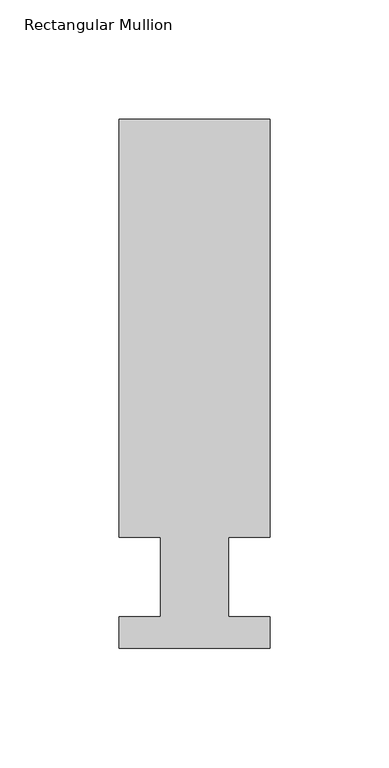
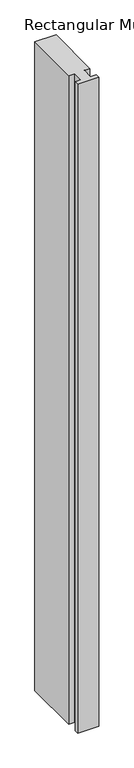
"""IFC4 building model written with IfcOpenShell, lengths in millimetres: member geometry, Rectangular Mullion."""

from ifc_helpers import new_model, si_unit, frame, origin, place, context, project, spatial, polyline, outline, extrude, source, transform, mapped, element, save


def rectangular_mullion_7f84483e(model_context):
    return source(origin(), model_context, "Body", "SweptSolid", [
        extrude(outline(polyline([(31.7499999, 222.5381312), (31.7499999, 46.7447312), (14.2748005, 46.7447312), (14.2748005, 13.3945312), (31.75, 13.3945312), (31.75, 0.2119312), (-31.75, 0.2119312), (-31.75, 13.3945312), (-14.2748005, 13.3945312), (-14.2748005, 46.7447312), (-31.7500005, 46.7447312), (-31.7500005, 222.5381312), (31.7499999, 222.5381312)])), frame((0.0, 0.0, -2057.3999999), z_axis=(0.0, 0.0, 1.0), x_axis=(1.0, 0.0, 0.0)), (0.0, 0.0, 1.0), 2057.3999999),
    ])


if __name__ == "__main__":
    model = new_model("IFC4")
    model_context = context("Model", 3, world=origin())
    ifc_project = project(units=[si_unit("LENGTHUNIT", "METRE", prefix="MILLI")], contexts=[model_context])
    site = spatial("IfcSite", under=ifc_project)
    building = spatial("IfcBuilding", under=site)
    placement = place(None, origin())
    rectangular_mullion_shape = rectangular_mullion_7f84483e(model_context)
    element("IfcMember", 1, ObjectType="Rectangular Mullion", at=placement, inside=building, context=model_context, shape_type="MappedRepresentation", body=[
        mapped(rectangular_mullion_shape, transform((0.0, 0.0, 0.0), x_axis=(1.0, 0.0, 0.0), y_axis=(0.0, 1.0, 0.0), z_axis=(0.0, 0.0, 1.0))),
    ])
    save(model, "model.ifc")
